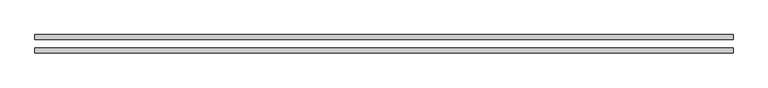
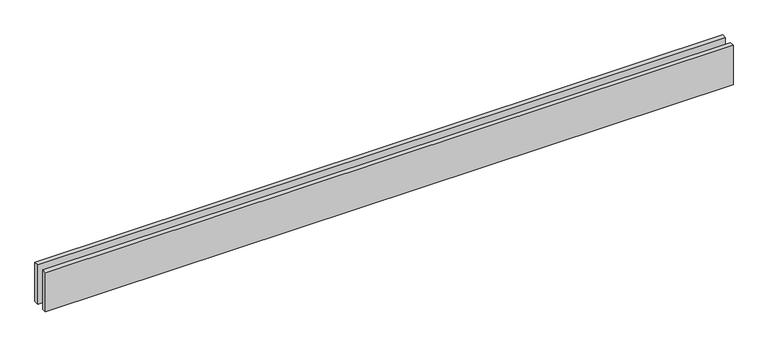
"""IFC4 building model written with IfcOpenShell, lengths in millimetres: proxy geometry."""

from ifc_helpers import new_model, si_unit, origin, origin_with_axes, place, context, project, spatial, polyline, outline, extrude, source, transform, mapped, element, save


def generic_models_8f1fd229(model_context):
    return source(origin(), model_context, "Body", "SweptSolid", [
        extrude(outline(polyline([(4140.0, 25.0), (0.0, 25.0), (0.0, 55.0), (4140.0, 55.0), (4140.0, 25.0)])), origin_with_axes(), (0.0, 0.0, 1.0), 250.0),
        extrude(outline(polyline([(4140.0, -55.0), (0.0, -55.0), (0.0, -25.0), (4140.0, -25.0), (4140.0, -55.0)])), origin_with_axes(), (0.0, 0.0, 1.0), 250.0),
    ])


if __name__ == "__main__":
    model = new_model("IFC4")
    model_context = context("Model", 3, world=origin())
    ifc_project = project(units=[si_unit("LENGTHUNIT", "METRE", prefix="MILLI")], contexts=[model_context])
    site = spatial("IfcSite", under=ifc_project)
    building = spatial("IfcBuilding", under=site)
    placement = place(None, origin())
    generic_models_shape = generic_models_8f1fd229(model_context)
    element("IfcBuildingElementProxy", 1, Name="Generic Models", at=placement, inside=building, context=model_context, shape_type="MappedRepresentation", body=[
        mapped(generic_models_shape, transform((0.0, 0.0, 0.0), x_axis=(1.0, 0.0, 0.0), y_axis=(0.0, 1.0, 0.0), z_axis=(0.0, 0.0, 1.0))),
    ])
    save(model, "model.ifc")
